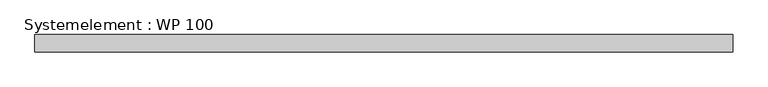
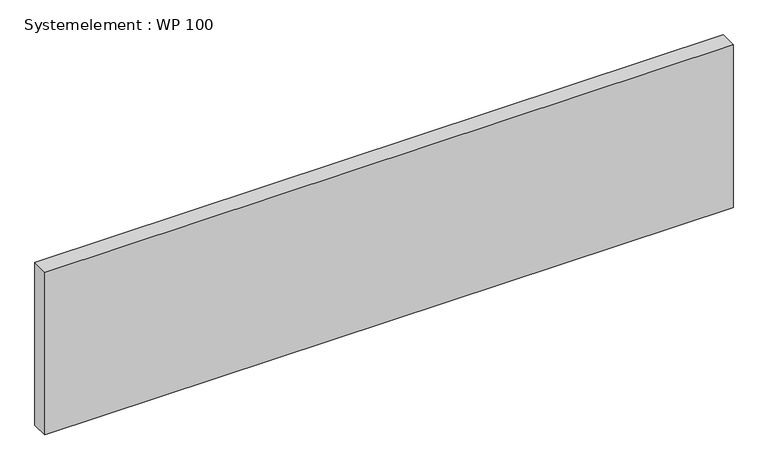
"""IFC4 building model written with IfcOpenShell, lengths in millimetres: plate geometry, Systemelement : WP 100."""

from ifc_helpers import new_model, si_unit, origin, origin_with_axes, place, context, project, spatial, polyline, outline, extrude, source, transform, mapped, element, save


def systemelement_wp_100_20208b27(model_context):
    return source(origin(), model_context, "Body", "SweptSolid", [
        extrude(outline(polyline([(2000.0, -100.0), (-2000.0, -100.0), (-2000.0, 0.0), (2000.0, 0.0), (2000.0, -100.0)])), origin_with_axes(), (0.0, 0.0, 1.0), 1000.0),
    ])


if __name__ == "__main__":
    model = new_model("IFC4")
    model_context = context("Model", 3, world=origin())
    ifc_project = project(units=[si_unit("LENGTHUNIT", "METRE", prefix="MILLI")], contexts=[model_context])
    site = spatial("IfcSite", under=ifc_project)
    building = spatial("IfcBuilding", under=site)
    placement = place(None, origin())
    systemelement_wp_100_shape = systemelement_wp_100_20208b27(model_context)
    element("IfcPlate", 1, ObjectType="Systemelement : WP 100", at=placement, inside=building, context=model_context, shape_type="MappedRepresentation", body=[
        mapped(systemelement_wp_100_shape, transform((0.0, 0.0, 0.0), x_axis=(1.0, 0.0, 0.0), y_axis=(0.0, 1.0, 0.0), z_axis=(0.0, 0.0, 1.0))),
    ])
    save(model, "model.ifc")
